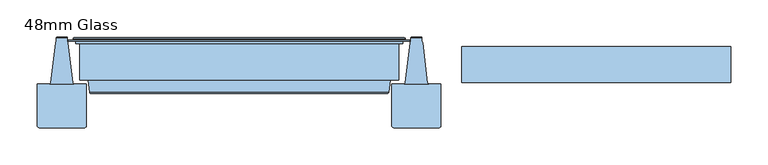
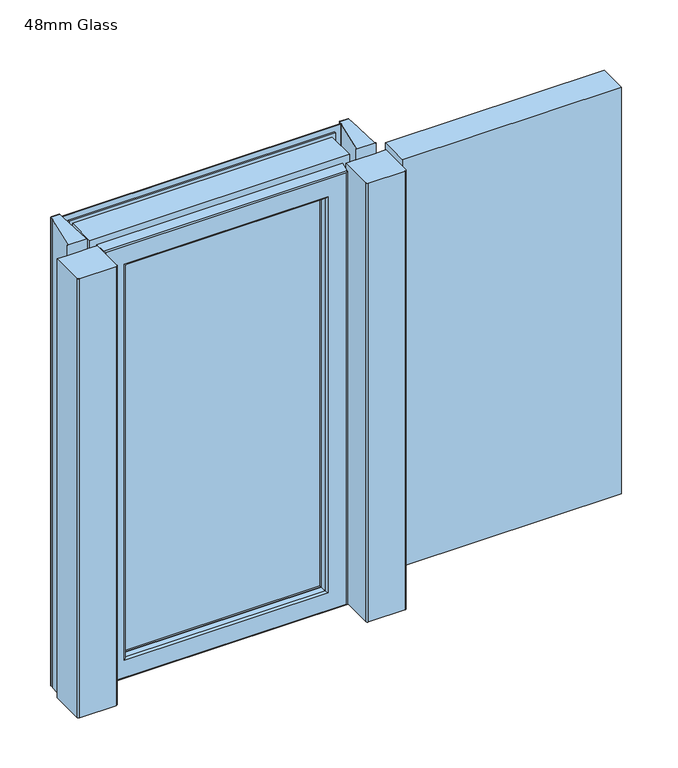
"""IFC4 building model written with IfcOpenShell, lengths in millimetres: window geometry, 48mm Glass."""

from ifc_helpers import new_model, si_unit, frame, origin, place, context, project, spatial, polyline, circle_curve, ellipse_curve, outline, extrude, source, transform, mapped, element, save
from ifc_brep_helpers import plane_surface, cylinder_surface, revolved_surface, advanced_brep


def window_48mm_glass_337661ac(model_context):
    return source(origin(), model_context, "Body", "SolidModel", [
        extrude(outline(polyline([(177.0, 93.0110098), (-177.0, 93.0110098), (-177.0, 141.0110098), (177.0, 141.0110098), (177.0, 93.0110098)])), frame((0.0, 0.0, 890.0), z_axis=(0.0, 0.0, 1.0), x_axis=(1.0, 0.0, 0.0)), (0.0, 0.0, 1.0), 708.0),
        advanced_brep(
        [(219.5, 148.6168436, 1640.5), (219.5, 145.5999985, 1640.5), (219.5, 145.5999985, 847.5), (219.5, 148.6168436, 847.5), (222.0, 153.0, 1643.0), (223.0, 152.0, 1644.0), (223.0, 152.0, 844.0), (222.0, 153.0, 845.0), (163.0012615, 141.0, 1584.0012615), (163.0012615, 142.3599713, 1584.0012615), (163.0012615, 142.3599713, 903.9987385), (163.0012615, 141.0, 903.9987385), (181.3697055, 93.0110098, 1602.3697055), (187.2620126, 141.0, 1608.2620126), (187.2620126, 141.0, 879.7379874), (181.3697055, 93.0110098, 885.6302945), (163.0013518, 90.0110098, 1584.0013518), (163.0013518, 93.0110098, 1584.0013518), (163.0013518, 93.0110098, 903.9986482), (163.0013518, 90.0110098, 903.9986482), (163.0232044, 88.8030982, 1584.0232044), (164.001352, 90.0110098, 1585.001352), (164.001352, 90.0110098, 902.998648), (163.0232044, 88.8030982, 903.9767956), (164.8120427, 80.376265, 1585.8120427), (164.8120427, 80.376265, 902.1879573), (167.7464855, 78.0, 1588.7464855), (167.7464855, 78.0, 899.2535145), (200.5618051, 79.7562613, 1621.5618051), (198.5767128, 78.0, 1619.5767128), (198.5767128, 78.0, 868.4232872), (200.5618051, 79.7562613, 866.4381949), (202.5562854, 96.0, 1623.5562854), (202.5562854, 96.0, 864.4437146), (214.0, 145.5999985, 1635.0), (214.0, 96.0, 1635.0), (214.0, 96.0, 853.0), (214.0, 145.5999985, 853.0), (-219.5, 145.5999985, 847.5), (-219.5, 148.6168436, 847.5), (-223.0, 152.0, 844.0), (-222.0, 153.0, 845.0), (-163.0012615, 142.3599713, 903.9987385), (-163.0012615, 141.0, 903.9987385), (-187.2620126, 141.0, 879.7379874), (-181.3697055, 93.0110098, 885.6302945), (-163.0013518, 93.0110098, 903.9986482), (-163.0013518, 90.0110098, 903.9986482), (-164.001352, 90.0110098, 902.998648), (-163.0232044, 88.8030982, 903.9767956), (-164.8120427, 80.376265, 902.1879573), (-167.7464855, 78.0, 899.2535145), (-198.5767128, 78.0, 868.4232872), (-200.5618051, 79.7562613, 866.4381949), (-202.5562854, 96.0, 864.4437146), (-214.0, 96.0, 853.0), (-214.0, 145.5999985, 853.0), (-219.5, 145.5999985, 1640.5), (-219.5, 148.6168436, 1640.5), (-223.0, 152.0, 1644.0), (-222.0, 153.0, 1643.0), (-163.0012615, 142.3599713, 1584.0012615), (-163.0012615, 141.0, 1584.0012615), (-187.2620126, 141.0, 1608.2620126), (-181.3697055, 93.0110098, 1602.3697055), (-163.0013518, 93.0110098, 1584.0013518), (-163.0013518, 90.0110098, 1584.0013518), (-164.001352, 90.0110098, 1585.001352), (-163.0232044, 88.8030982, 1584.0232044), (-164.8120427, 80.376265, 1585.8120427), (-167.7464855, 78.0, 1588.7464855), (-198.5767128, 78.0, 1619.5767128), (-200.5618051, 79.7562613, 1621.5618051), (-202.5562854, 96.0, 1623.5562854), (-214.0, 96.0, 1635.0), (-214.0, 145.5999985, 1635.0), (229.1997151, 149.6865589, 837.8002849), (-229.1997151, 149.6865589, 837.8002849), (-229.1997151, 149.6865589, 1650.1997151), (229.1997151, 149.6865589, 1650.1997151), (223.0, 149.6865589, 1644.0), (-223.0, 149.6865589, 1644.0), (-223.0, 149.6865589, 844.0), (223.0, 149.6865589, 844.0), (229.1997151, 148.6168436, 1650.1997151), (229.1997151, 148.6168436, 837.8002849), (-229.1997151, 148.6168436, 837.8002849), (-229.1997151, 148.6168436, 1650.1997151), (165.8249234, 151.5957532, 1586.8249234), (167.5279664, 153.0, 1588.5279664), (167.5279664, 153.0, 899.4720336), (165.8249234, 151.5957532, 901.1750766), (-167.5279664, 153.0, 899.4720336), (-165.8249234, 151.5957532, 901.1750766), (-167.5279664, 153.0, 1588.5279664), (-165.8249234, 151.5957532, 1586.8249234)],
        [
            (0, 1),
            (1, 2),
            (2, 3),
            (3, 0),
            (4, 5, ellipse_curve(frame((222.0, 152.0, 1643.0), z_axis=(0.7071067811865475, 0.0, -0.7071067811865475), x_axis=(0.7071067811865474, 0.0, 0.7071067811865476)), 1.4142136, 1.0)),
            (5, 6),
            (6, 7, ellipse_curve(frame((222.0, 152.0, 845.0), z_axis=(0.7071067811865475, 0.0, 0.7071067811865475), x_axis=(-0.7071067811865474, 0.0, 0.7071067811865476)), 1.4142136, 1.0)),
            (7, 4),
            (8, 9),
            (9, 10),
            (10, 11),
            (11, 8),
            (12, 13),
            (13, 14),
            (14, 15),
            (15, 12),
            (16, 17),
            (17, 18),
            (18, 19),
            (19, 16),
            (20, 21, ellipse_curve(frame((164.001352, 89.0110098, 1585.001352), z_axis=(0.7071067811865475, 0.0, -0.7071067811865475), x_axis=(0.7071067811865474, 0.0, 0.7071067811865476)), 1.4142136, 1.0)),
            (21, 22),
            (22, 23, ellipse_curve(frame((164.001352, 89.0110098, 902.998648), z_axis=(0.7071067811865475, 0.0, 0.7071067811865475), x_axis=(-0.7071067811865474, 0.0, 0.7071067811865476)), 1.4142136, 1.0)),
            (23, 20),
            (24, 20),
            (23, 25),
            (25, 24),
            (26, 24, ellipse_curve(frame((167.7464855, 81.0, 1588.7464855), z_axis=(0.7071067811865475, 0.0, -0.7071067811865475), x_axis=(0.7071067811865474, 0.0, 0.7071067811865476)), 4.2426407, 3.0)),
            (25, 27, ellipse_curve(frame((167.7464855, 81.0, 899.2535145), z_axis=(0.7071067811865475, 0.0, 0.7071067811865475), x_axis=(-0.7071067811865474, 0.0, 0.7071067811865476)), 4.2426407, 3.0)),
            (27, 26),
            (28, 29, ellipse_curve(frame((198.5767128, 80.0, 1619.5767128), z_axis=(0.7071067811865475, 0.0, -0.7071067811865475), x_axis=(0.7071067811865474, 0.0, 0.7071067811865476)), 2.8284271, 2.0)),
            (29, 30),
            (30, 31, ellipse_curve(frame((198.5767128, 80.0, 868.4232872), z_axis=(0.7071067811865475, 0.0, 0.7071067811865475), x_axis=(-0.7071067811865474, 0.0, 0.7071067811865476)), 2.8284271, 2.0)),
            (31, 28),
            (32, 28),
            (31, 33),
            (33, 32),
            (34, 35),
            (35, 36),
            (36, 37),
            (37, 34),
            (2, 38),
            (38, 39),
            (39, 3),
            (6, 40),
            (40, 41, ellipse_curve(frame((-222.0, 152.0, 845.0), z_axis=(0.7071067811865475, 0.0, -0.7071067811865475), x_axis=(0.7071067811865476, 0.0, 0.7071067811865474)), 1.4142136, 1.0)),
            (41, 7),
            (10, 42),
            (42, 43),
            (43, 11),
            (14, 44),
            (44, 45),
            (45, 15),
            (18, 46),
            (46, 47),
            (47, 19),
            (22, 48),
            (48, 49, ellipse_curve(frame((-164.001352, 89.0110098, 902.998648), z_axis=(0.7071067811865475, 0.0, -0.7071067811865475), x_axis=(0.7071067811865476, 0.0, 0.7071067811865474)), 1.4142136, 1.0)),
            (49, 23),
            (49, 50),
            (50, 25),
            (50, 51, ellipse_curve(frame((-167.7464855, 81.0, 899.2535145), z_axis=(0.7071067811865475, 0.0, -0.7071067811865475), x_axis=(0.7071067811865476, 0.0, 0.7071067811865474)), 4.2426407, 3.0)),
            (51, 27),
            (30, 52),
            (52, 53, ellipse_curve(frame((-198.5767128, 80.0, 868.4232872), z_axis=(0.7071067811865475, 0.0, -0.7071067811865475), x_axis=(0.7071067811865476, 0.0, 0.7071067811865474)), 2.8284271, 2.0)),
            (53, 31),
            (53, 54),
            (54, 33),
            (36, 55),
            (55, 56),
            (56, 37),
            (38, 57),
            (57, 58),
            (58, 39),
            (40, 59),
            (59, 60, ellipse_curve(frame((-222.0, 152.0, 1643.0), z_axis=(-0.7071067811865475, 0.0, -0.7071067811865475), x_axis=(0.7071067811865474, 0.0, -0.7071067811865476)), 1.4142136, 1.0)),
            (60, 41),
            (42, 61),
            (61, 62),
            (62, 43),
            (44, 63),
            (63, 64),
            (64, 45),
            (46, 65),
            (65, 66),
            (66, 47),
            (48, 67),
            (67, 68, ellipse_curve(frame((-164.001352, 89.0110098, 1585.001352), z_axis=(-0.7071067811865475, 0.0, -0.7071067811865475), x_axis=(0.7071067811865474, 0.0, -0.7071067811865476)), 1.4142136, 1.0)),
            (68, 49),
            (68, 69),
            (69, 50),
            (69, 70, ellipse_curve(frame((-167.7464855, 81.0, 1588.7464855), z_axis=(-0.7071067811865475, 0.0, -0.7071067811865475), x_axis=(0.7071067811865474, 0.0, -0.7071067811865476)), 4.2426407, 3.0)),
            (70, 51),
            (52, 71),
            (71, 72, ellipse_curve(frame((-198.5767128, 80.0, 1619.5767128), z_axis=(-0.7071067811865475, 0.0, -0.7071067811865475), x_axis=(0.7071067811865474, 0.0, -0.7071067811865476)), 2.8284271, 2.0)),
            (72, 53),
            (72, 73),
            (73, 54),
            (55, 74),
            (74, 75),
            (75, 56),
            (1, 57),
            (75, 34),
            (0, 58),
            (76, 77),
            (77, 78),
            (78, 79),
            (79, 76),
            (80, 81),
            (81, 82),
            (82, 83),
            (83, 80),
            (59, 5),
            (4, 60),
            (61, 9),
            (8, 62),
            (13, 63),
            (12, 64),
            (17, 65),
            (16, 66),
            (21, 67),
            (20, 68),
            (24, 69),
            (26, 70),
            (29, 71),
            (28, 72),
            (32, 73),
            (35, 74),
            (79, 84),
            (84, 85),
            (85, 76),
            (5, 80),
            (83, 6),
            (85, 86),
            (86, 77),
            (82, 40),
            (86, 87),
            (87, 78),
            (81, 59),
            (84, 87),
            (88, 89, ellipse_curve(frame((167.7375329, 151.0110098, 1588.7375329), z_axis=(0.7071067811865475, 0.0, -0.7071067811865475), x_axis=(0.7071067811865474, 0.0, 0.7071067811865476)), 2.8284271, 2.0)),
            (89, 90),
            (90, 91, ellipse_curve(frame((167.7375329, 151.0110098, 899.2624671), z_axis=(0.7071067811865475, 0.0, 0.7071067811865475), x_axis=(-0.7071067811865474, 0.0, 0.7071067811865476)), 2.8284271, 2.0)),
            (91, 88),
            (9, 88),
            (91, 10),
            (90, 92),
            (92, 93, ellipse_curve(frame((-167.7375329, 151.0110098, 899.2624671), z_axis=(0.7071067811865475, 0.0, -0.7071067811865475), x_axis=(0.7071067811865476, 0.0, 0.7071067811865474)), 2.8284271, 2.0)),
            (93, 91),
            (93, 42),
            (92, 94),
            (94, 95, ellipse_curve(frame((-167.7375329, 151.0110098, 1588.7375329), z_axis=(-0.7071067811865475, 0.0, -0.7071067811865475), x_axis=(0.7071067811865474, 0.0, -0.7071067811865476)), 2.8284271, 2.0)),
            (95, 93),
            (95, 61),
            (89, 94),
            (88, 95),
        ],
        [
            plane_surface(frame((219.5, 145.5999985, 1640.5), z_axis=(1.0, 0.0, 0.0), x_axis=(0.0, 0.0, -1.0))),
            cylinder_surface(frame((222.0, 152.0, 1635.0), z_axis=(0.0, 0.0, 1.0), x_axis=(0.0, -1.0, 0.0)), 1.0),
            plane_surface(frame((163.0012615, 142.3599713, 1584.0012615), z_axis=(-1.0, 0.0, 0.0), x_axis=(0.0, 0.0, -1.0))),
            plane_surface(frame((187.2620126, 141.0, 1608.2620126), z_axis=(-0.992546151641323, 0.12186934340513976, 0.0), x_axis=(0.0, 0.0, -1.0))),
            plane_surface(frame((163.0013518, 93.0110098, 1584.0013518), z_axis=(-1.0, 0.0, 0.0), x_axis=(0.0, 0.0, -1.0))),
            cylinder_surface(frame((164.001352, 89.0110098, 1635.0), z_axis=(0.0, 0.0, 1.0), x_axis=(0.0, -1.0, 0.0)), 1.0),
            plane_surface(frame((163.0232044, 88.8030982, 1584.0232044), z_axis=(-0.9782028159557521, -0.2076517538000511, 0.0), x_axis=(0.0, 0.0, -1.0))),
            cylinder_surface(frame((167.7464855, 81.0, 1635.0), z_axis=(0.0, 0.0, 1.0), x_axis=(0.0, -1.0, 0.0)), 3.0),
            cylinder_surface(frame((198.5767128, 80.0, 1635.0), z_axis=(0.0, 0.0, 1.0), x_axis=(0.0, -1.0, 0.0)), 2.0),
            plane_surface(frame((200.5618051, 79.7562613, 1621.5618051), z_axis=(0.9925461516416152, -0.12186934340276044, 0.0), x_axis=(0.0, 0.0, -1.0))),
            plane_surface(frame((214.0, 96.0, 1635.0), z_axis=(1.0, 0.0, 0.0), x_axis=(0.0, 0.0, -1.0))),
            plane_surface(frame((219.5, 145.5999985, 847.5), z_axis=(0.0, 0.0, -1.0), x_axis=(-1.0, 0.0, 0.0))),
            cylinder_surface(frame((214.0, 152.0, 845.0), z_axis=(1.0, 0.0, 0.0), x_axis=(0.0, -1.0, 0.0)), 1.0),
            plane_surface(frame((163.0012615, 142.3599713, 903.9987385), z_axis=(0.0, 0.0, 1.0), x_axis=(-1.0, 0.0, 0.0))),
            plane_surface(frame((187.2620126, 141.0, 879.7379874), z_axis=(0.0, 0.12186934340513976, 0.992546151641323), x_axis=(-1.0, 0.0, 0.0))),
            plane_surface(frame((163.0013518, 93.0110098, 903.9986482), z_axis=(0.0, 0.0, 1.0), x_axis=(-1.0, 0.0, 0.0))),
            cylinder_surface(frame((214.0, 89.0110098, 902.998648), z_axis=(1.0, 0.0, 0.0), x_axis=(0.0, -1.0, 0.0)), 1.0),
            plane_surface(frame((163.0232044, 88.8030982, 903.9767956), z_axis=(0.0, -0.2076517538000511, 0.9782028159557521), x_axis=(-1.0, 0.0, 0.0))),
            cylinder_surface(frame((214.0, 81.0, 899.2535145), z_axis=(1.0, 0.0, 0.0), x_axis=(0.0, -1.0, 0.0)), 3.0),
            cylinder_surface(frame((214.0, 80.0, 868.4232872), z_axis=(1.0, 0.0, 0.0), x_axis=(0.0, -1.0, 0.0)), 2.0),
            plane_surface(frame((200.5618051, 79.7562613, 866.4381949), z_axis=(0.0, -0.12186934340276044, -0.9925461516416152), x_axis=(-1.0, 0.0, 0.0))),
            plane_surface(frame((214.0, 96.0, 853.0), z_axis=(0.0, 0.0, -1.0), x_axis=(-1.0, 0.0, 0.0))),
            plane_surface(frame((-219.5, 145.5999985, 847.5), z_axis=(-1.0, 0.0, 0.0), x_axis=(0.0, 0.0, 1.0))),
            cylinder_surface(frame((-222.0, 152.0, 853.0), z_axis=(0.0, 0.0, -1.0), x_axis=(0.0, -1.0, 0.0)), 1.0),
            plane_surface(frame((-163.0012615, 142.3599713, 903.9987385), z_axis=(1.0, 0.0, 0.0), x_axis=(0.0, 0.0, 1.0))),
            plane_surface(frame((-187.2620126, 141.0, 879.7379874), z_axis=(0.992546151641323, 0.12186934340513976, 0.0), x_axis=(0.0, 0.0, 1.0))),
            plane_surface(frame((-163.0013518, 93.0110098, 903.9986482), z_axis=(1.0, 0.0, 0.0), x_axis=(0.0, 0.0, 1.0))),
            cylinder_surface(frame((-164.001352, 89.0110098, 853.0), z_axis=(0.0, 0.0, -1.0), x_axis=(0.0, -1.0, 0.0)), 1.0),
            plane_surface(frame((-163.0232044, 88.8030982, 903.9767956), z_axis=(0.9782028159557521, -0.2076517538000511, 0.0), x_axis=(0.0, 0.0, 1.0))),
            cylinder_surface(frame((-167.7464855, 81.0, 853.0), z_axis=(0.0, 0.0, -1.0), x_axis=(0.0, -1.0, 0.0)), 3.0),
            cylinder_surface(frame((-198.5767128, 80.0, 853.0), z_axis=(0.0, 0.0, -1.0), x_axis=(0.0, -1.0, 0.0)), 2.0),
            plane_surface(frame((-200.5618051, 79.7562613, 866.4381949), z_axis=(-0.9925461516416152, -0.12186934340276044, 0.0), x_axis=(0.0, 0.0, 1.0))),
            plane_surface(frame((-214.0, 96.0, 853.0), z_axis=(-1.0, 0.0, 0.0), x_axis=(0.0, 0.0, 1.0))),
            plane_surface(frame((-214.0, 145.5999985, 1635.0), z_axis=(0.0, -1.0, 0.0), x_axis=(1.0, 0.0, 0.0))),
            plane_surface(frame((-219.5, 145.5999985, 1640.5), z_axis=(0.0, 0.0, 1.0), x_axis=(1.0, 0.0, 0.0))),
            plane_surface(frame((-229.1997151, 149.6865589, 1650.1997151), z_axis=(0.0, 1.0, 0.0), x_axis=(1.0, 0.0, 0.0))),
            cylinder_surface(frame((-214.0, 152.0, 1643.0), z_axis=(-1.0, 0.0, 0.0), x_axis=(0.0, -1.0, 0.0)), 1.0),
            plane_surface(frame((-163.0012615, 142.3599713, 1584.0012615), z_axis=(0.0, 0.0, -1.0), x_axis=(1.0, 0.0, 0.0))),
            plane_surface(frame((-163.0012615, 141.0, 1584.0012615), z_axis=(0.0, -1.0, 0.0), x_axis=(1.0, 0.0, 0.0))),
            plane_surface(frame((-187.2620126, 141.0, 1608.2620126), z_axis=(0.0, 0.12186934340513976, -0.992546151641323), x_axis=(1.0, 0.0, 0.0))),
            plane_surface(frame((-181.3697055, 93.0110098, 1602.3697055), z_axis=(0.0, 1.0, 0.0), x_axis=(1.0, 0.0, 0.0))),
            plane_surface(frame((-163.0013518, 93.0110098, 1584.0013518), z_axis=(0.0, 0.0, -1.0), x_axis=(1.0, 0.0, 0.0))),
            plane_surface(frame((-163.0013518, 90.0110098, 1584.0013518), z_axis=(0.0, -1.0, 0.0), x_axis=(1.0, 0.0, 0.0))),
            cylinder_surface(frame((-214.0, 89.0110098, 1585.001352), z_axis=(-1.0, 0.0, 0.0), x_axis=(0.0, -1.0, 0.0)), 1.0),
            plane_surface(frame((-163.0232044, 88.8030982, 1584.0232044), z_axis=(0.0, -0.2076517538000511, -0.9782028159557521), x_axis=(1.0, 0.0, 0.0))),
            cylinder_surface(frame((-214.0, 81.0, 1588.7464855), z_axis=(-1.0, 0.0, 0.0), x_axis=(0.0, -1.0, 0.0)), 3.0),
            plane_surface(frame((-167.7464855, 78.0, 1588.7464855), z_axis=(0.0, -1.0, 0.0), x_axis=(1.0, 0.0, 0.0))),
            cylinder_surface(frame((-214.0, 80.0, 1619.5767128), z_axis=(-1.0, 0.0, 0.0), x_axis=(0.0, -1.0, 0.0)), 2.0),
            plane_surface(frame((-200.5618051, 79.7562613, 1621.5618051), z_axis=(0.0, -0.12186934340276044, 0.9925461516416152), x_axis=(1.0, 0.0, 0.0))),
            plane_surface(frame((-202.5562854, 96.0, 1623.5562854), z_axis=(0.0, -1.0, 0.0), x_axis=(1.0, 0.0, 0.0))),
            plane_surface(frame((-214.0, 96.0, 1635.0), z_axis=(0.0, 0.0, 1.0), x_axis=(1.0, 0.0, 0.0))),
            plane_surface(frame((229.1997151, 148.6168436, 1650.1997151), z_axis=(1.0, 0.0, 0.0), x_axis=(0.0, 0.0, -1.0))),
            plane_surface(frame((223.0, 149.6865589, 1644.0), z_axis=(1.0, 0.0, 0.0), x_axis=(0.0, 0.0, -1.0))),
            plane_surface(frame((229.1997151, 148.6168436, 837.8002849), z_axis=(0.0, 0.0, -1.0), x_axis=(-1.0, 0.0, 0.0))),
            plane_surface(frame((223.0, 149.6865589, 844.0), z_axis=(0.0, 0.0, -1.0), x_axis=(-1.0, 0.0, 0.0))),
            plane_surface(frame((-229.1997151, 148.6168436, 837.8002849), z_axis=(-1.0, 0.0, 0.0), x_axis=(0.0, 0.0, 1.0))),
            plane_surface(frame((-223.0, 149.6865589, 844.0), z_axis=(-1.0, 0.0, 0.0), x_axis=(0.0, 0.0, 1.0))),
            plane_surface(frame((-219.5, 148.6168436, 1640.5), z_axis=(0.0, -1.0, 0.0), x_axis=(1.0, 0.0, 0.0))),
            plane_surface(frame((-229.1997151, 148.6168436, 1650.1997151), z_axis=(0.0, 0.0, 1.0), x_axis=(1.0, 0.0, 0.0))),
            plane_surface(frame((-223.0, 149.6865589, 1644.0), z_axis=(0.0, 0.0, 1.0), x_axis=(1.0, 0.0, 0.0))),
            cylinder_surface(frame((167.7375329, 151.0110098, 1635.0), z_axis=(0.0, 0.0, 1.0), x_axis=(0.0, -1.0, 0.0)), 2.0),
            plane_surface(frame((165.8249234, 151.5957532, 1586.8249234), z_axis=(-0.9563047559630313, 0.2923717047227505, 0.0), x_axis=(0.0, 0.0, -1.0))),
            cylinder_surface(frame((214.0, 151.0110098, 899.2624671), z_axis=(1.0, 0.0, 0.0), x_axis=(0.0, -1.0, 0.0)), 2.0),
            plane_surface(frame((165.8249234, 151.5957532, 901.1750766), z_axis=(0.0, 0.2923717047227505, 0.9563047559630313), x_axis=(-1.0, 0.0, 0.0))),
            cylinder_surface(frame((-167.7375329, 151.0110098, 853.0), z_axis=(0.0, 0.0, -1.0), x_axis=(0.0, -1.0, 0.0)), 2.0),
            plane_surface(frame((-165.8249234, 151.5957532, 901.1750766), z_axis=(0.9563047559630313, 0.2923717047227505, 0.0), x_axis=(0.0, 0.0, 1.0))),
            plane_surface(frame((-222.0, 153.0, 1643.0), z_axis=(0.0, 1.0, 0.0), x_axis=(1.0, 0.0, 0.0))),
            cylinder_surface(frame((-214.0, 151.0110098, 1588.7375329), z_axis=(-1.0, 0.0, 0.0), x_axis=(0.0, -1.0, 0.0)), 2.0),
            plane_surface(frame((-165.8249234, 151.5957532, 1586.8249234), z_axis=(0.0, 0.2923717047227505, -0.9563047559630313), x_axis=(1.0, 0.0, 0.0))),
        ],
        [
            (0, [[1, 2, 3, 4]]),
            (1, [[5, 6, 7, 8]]),
            (2, [[9, 10, 11, 12]]),
            (3, [[13, 14, 15, 16]]),
            (4, [[17, 18, 19, 20]]),
            (5, [[21, 22, 23, 24]]),
            (6, [[25, -24, 26, 27]]),
            (7, [[28, -27, 29, 30]]),
            (8, [[31, 32, 33, 34]]),
            (9, [[35, -34, 36, 37]]),
            (10, [[38, 39, 40, 41]]),
            (11, [[-3, 42, 43, 44]]),
            (12, [[-7, 45, 46, 47]]),
            (13, [[-11, 48, 49, 50]]),
            (14, [[-15, 51, 52, 53]]),
            (15, [[-19, 54, 55, 56]]),
            (16, [[-23, 57, 58, 59]]),
            (17, [[-26, -59, 60, 61]]),
            (18, [[-29, -61, 62, 63]]),
            (19, [[-33, 64, 65, 66]]),
            (20, [[-36, -66, 67, 68]]),
            (21, [[-40, 69, 70, 71]]),
            (22, [[-43, 72, 73, 74]]),
            (23, [[-46, 75, 76, 77]]),
            (24, [[-49, 78, 79, 80]]),
            (25, [[-52, 81, 82, 83]]),
            (26, [[-55, 84, 85, 86]]),
            (27, [[-58, 87, 88, 89]]),
            (28, [[-60, -89, 90, 91]]),
            (29, [[-62, -91, 92, 93]]),
            (30, [[-65, 94, 95, 96]]),
            (31, [[-67, -96, 97, 98]]),
            (32, [[-70, 99, 100, 101]]),
            (33, [[102, -72, -42, -2], [-71, -101, 103, -41]]),
            (34, [[-73, -102, -1, 104]]),
            (35, [[105, 106, 107, 108], [109, 110, 111, 112]]),
            (36, [[-76, 113, -5, 114]]),
            (37, [[-79, 115, -9, 116]]),
            (38, [[117, -81, -51, -14], [-50, -80, -116, -12]]),
            (39, [[-82, -117, -13, 118]]),
            (40, [[-53, -83, -118, -16], [119, -84, -54, -18]]),
            (41, [[-85, -119, -17, 120]]),
            (42, [[121, -87, -57, -22], [-56, -86, -120, -20]]),
            (43, [[-88, -121, -21, 122]]),
            (44, [[-90, -122, -25, 123]]),
            (45, [[-92, -123, -28, 124]]),
            (46, [[125, -94, -64, -32], [-63, -93, -124, -30]]),
            (47, [[-95, -125, -31, 126]]),
            (48, [[-97, -126, -35, 127]]),
            (49, [[128, -99, -69, -39], [-68, -98, -127, -37]]),
            (50, [[-100, -128, -38, -103]]),
            (51, [[129, 130, 131, -108]]),
            (52, [[132, -112, 133, -6]]),
            (53, [[-131, 134, 135, -105]]),
            (54, [[-133, -111, 136, -45]]),
            (55, [[-135, 137, 138, -106]]),
            (56, [[-136, -110, 139, -75]]),
            (57, [[140, -137, -134, -130], [-44, -74, -104, -4]]),
            (58, [[-138, -140, -129, -107]]),
            (59, [[-139, -109, -132, -113]]),
            (60, [[141, 142, 143, 144]]),
            (61, [[145, -144, 146, -10]]),
            (62, [[-143, 147, 148, 149]]),
            (63, [[-146, -149, 150, -48]]),
            (64, [[-148, 151, 152, 153]]),
            (65, [[-150, -153, 154, -78]]),
            (66, [[-47, -77, -114, -8], [155, -151, -147, -142]]),
            (67, [[-152, -155, -141, 156]]),
            (68, [[-154, -156, -145, -115]]),
        ],
    ),
        advanced_brep(
        [(-254.3270879, 91.0, 862.0), (-271.0, 91.0, 862.0), (-271.0, 91.0, 1626.0), (-254.3270879, 91.0, 1626.0), (-271.0, 35.0, 862.0), (-271.0, 35.0, 1626.0), (-268.0, 32.0, 862.0), (-208.0, 32.0, 862.0), (-208.0, 32.0, 1626.0), (-268.0, 32.0, 1626.0), (-205.0, 35.0, 862.0), (-205.0, 91.0, 862.0), (-205.0, 91.0, 1626.0), (-205.0, 35.0, 1626.0), (-221.6729121, 91.0, 862.0), (-221.6729121, 91.0, 1626.0), (-223.1580624, 92.2894565, 843.8416747), (-229.8106952, 146.5609347, 837.177975), (-229.8106952, 146.5609347, 1650.822025), (-223.1580624, 92.2894565, 1644.1583253), (-246.1893048, 146.5609347, 837.177975), (-252.8419376, 92.2894565, 843.8416747), (-252.8419376, 92.2894565, 1644.1583253), (-246.1893048, 146.5609347, 1650.822025), (-254.3270879, 91.0, 844.0), (-221.6729121, 91.0, 844.0), (-230.6, 153.0, 836.4), (-245.4, 153.0, 836.4), (-244.4, 154.0, 836.4), (-231.6, 154.0, 836.4), (-245.4, 148.3029671, 836.9640803), (-230.6, 148.3029671, 836.9640803), (-221.6729121, 91.0, 1644.0), (-254.3270879, 91.0, 1644.0), (-245.4, 153.0, 1651.6), (-230.6, 153.0, 1651.6), (-231.6, 154.0, 1651.6), (-244.4, 154.0, 1651.6), (-230.6, 148.3029671, 1651.0359197), (-245.4, 148.3029671, 1651.0359197)],
        [
            (0, 1),
            (1, 2),
            (2, 3),
            (3, 0),
            (1, 4),
            (4, 5),
            (5, 2),
            (6, 7),
            (7, 8),
            (8, 9),
            (9, 6),
            (10, 11),
            (11, 12),
            (12, 13),
            (13, 10),
            (11, 14),
            (14, 15),
            (15, 12),
            (16, 17),
            (17, 18),
            (18, 19),
            (19, 16),
            (20, 21),
            (21, 22),
            (22, 23),
            (23, 20),
            (14, 0),
            (0, 24),
            (24, 25),
            (25, 14),
            (10, 7, circle_curve(frame((-208.0, 35.0, 862.0), z_axis=(0.0, 0.0, -1.0), x_axis=(1.0, 0.0, 0.0)), 3.0)),
            (6, 4, circle_curve(frame((-268.0, 35.0, 862.0), z_axis=(0.0, 0.0, -1.0), x_axis=(1.0, 0.0, 0.0)), 3.0)),
            (26, 27),
            (27, 28, circle_curve(frame((-244.4, 153.0, 836.4), z_axis=(0.0, 0.0, -1.0), x_axis=(1.0, 0.0, 0.0)), 1.0)),
            (28, 29),
            (29, 26, circle_curve(frame((-231.6, 153.0, 836.4), z_axis=(0.0, 0.0, -1.0), x_axis=(1.0, 0.0, 0.0)), 1.0)),
            (24, 21, ellipse_curve(frame((-254.3270879, 92.5, 843.8158232), z_axis=(0.0, 0.12186934340514982, 0.9925461516413218), x_axis=(0.0, 0.992546151641322, -0.12186934340514925)), 1.5112647, 1.5)),
            (20, 30),
            (30, 27),
            (26, 31),
            (31, 17),
            (16, 25, ellipse_curve(frame((-221.6729121, 92.5, 843.8158232), z_axis=(0.0, 0.12186934340514982, 0.9925461516413218), x_axis=(0.0, 0.992546151641322, -0.12186934340514925)), 1.5112647, 1.5)),
            (3, 15),
            (15, 32),
            (32, 33),
            (33, 3),
            (5, 9, circle_curve(frame((-268.0, 35.0, 1626.0), z_axis=(0.0, 0.0, 1.0), x_axis=(1.0, 0.0, 0.0)), 3.0)),
            (8, 13, circle_curve(frame((-208.0, 35.0, 1626.0), z_axis=(0.0, 0.0, 1.0), x_axis=(1.0, 0.0, 0.0)), 3.0)),
            (34, 35),
            (35, 36, circle_curve(frame((-231.6, 153.0, 1651.6), z_axis=(0.0, 0.0, 1.0), x_axis=(1.0, 0.0, 0.0)), 1.0)),
            (36, 37),
            (37, 34, circle_curve(frame((-244.4, 153.0, 1651.6), z_axis=(0.0, 0.0, 1.0), x_axis=(1.0, 0.0, 0.0)), 1.0)),
            (32, 19, ellipse_curve(frame((-221.6729121, 92.5, 1644.1841768), z_axis=(0.0, 0.12186934340515176, -0.9925461516413215), x_axis=(0.0, -0.9925461516413217, -0.12186934340515095)), 1.5112647, 1.5)),
            (18, 38),
            (38, 35),
            (34, 39),
            (39, 23),
            (22, 33, ellipse_curve(frame((-254.3270879, 92.5, 1644.1841768), z_axis=(0.0, 0.12186934340515176, -0.9925461516413215), x_axis=(0.0, -0.9925461516413217, -0.12186934340515095)), 1.5112647, 1.5)),
            (31, 38),
            (26, 35),
            (29, 36),
            (28, 37),
            (27, 34),
            (30, 39),
        ],
        [
            plane_surface(frame((-254.3270879, 91.0, 1676.0), z_axis=(0.0, 1.0, 0.0), x_axis=(0.0, 0.0, -1.0))),
            plane_surface(frame((-271.0, 91.0, 1676.0), z_axis=(-1.0, 0.0, 0.0), x_axis=(0.0, 0.0, -1.0))),
            plane_surface(frame((-268.0, 32.0, 1676.0), z_axis=(0.0, -1.0, 0.0), x_axis=(0.0, 0.0, -1.0))),
            plane_surface(frame((-205.0, 35.0, 1676.0), z_axis=(1.0, 0.0, 0.0), x_axis=(0.0, 0.0, -1.0))),
            plane_surface(frame((-205.0, 91.0, 1676.0), z_axis=(0.0, 1.0, 0.0), x_axis=(0.0, 0.0, -1.0))),
            plane_surface(frame((-223.1580624, 92.2894565, 1676.0), z_axis=(0.992570614202236, 0.12166994625706033, 0.0), x_axis=(0.0, 0.0, -1.0))),
            plane_surface(frame((-246.1893048, 146.5609347, 1676.0), z_axis=(-0.9925706142022382, 0.1216699462570421, 0.0), x_axis=(0.0, 0.0, -1.0))),
            plane_surface(frame((12.0, 91.0, 844.0), z_axis=(0.0, -1.0, 0.0), x_axis=(-1.0, 0.0, 0.0))),
            plane_surface(frame((12.0, 91.0, 862.0), z_axis=(0.0, 0.0, -1.0), x_axis=(-1.0, 0.0, 0.0))),
            plane_surface(frame((12.0, 154.0, 836.4), z_axis=(0.0, 0.0, -1.0), x_axis=(-1.0, 0.0, 0.0))),
            plane_surface(frame((12.0, 152.8970329, 836.4), z_axis=(0.0, -0.12186934340514982, -0.9925461516413218), x_axis=(-1.0, 0.0, 0.0))),
            plane_surface(frame((12.0, 91.0, 1626.0), z_axis=(0.0, -1.0, 0.0), x_axis=(-1.0, 0.0, 0.0))),
            plane_surface(frame((12.0, 32.0, 1626.0), z_axis=(0.0, 0.0, 1.0), x_axis=(-1.0, 0.0, 0.0))),
            plane_surface(frame((12.0, 152.8970329, 1651.6), z_axis=(0.0, 0.0, 1.0), x_axis=(-1.0, 0.0, 0.0))),
            plane_surface(frame((12.0, 91.0, 1644.0), z_axis=(0.0, -0.12186934340515176, 0.9925461516413215), x_axis=(-1.0, 0.0, 0.0))),
            revolved_surface(polyline([(-252.8270879, 92.5, 843.6316463632995), (-252.8270879, 92.5, 1644.3683536367002)]), (-254.3270879, 92.5, 812.0), (0.0, 0.0, -1.0)),
            cylinder_surface(frame((-268.0, 35.0, 812.0), z_axis=(0.0, 0.0, 1.0), x_axis=(1.0, 0.0, 0.0)), 3.0),
            cylinder_surface(frame((-208.0, 35.0, 812.0), z_axis=(0.0, 0.0, 1.0), x_axis=(1.0, 0.0, 0.0)), 3.0),
            revolved_surface(polyline([(-220.1729121, 92.5, 843.6316463632995), (-220.1729121, 92.5, 1644.3683536367002)]), (-221.6729121, 92.5, 812.0), (0.0, 0.0, -1.0)),
            plane_surface(frame((-229.8106952, 146.5609347, 1676.0), z_axis=(0.9108637981505031, 0.4127070888885235, 0.0), x_axis=(0.0, 0.0, -1.0))),
            plane_surface(frame((-230.6, 148.3029671, 1676.0), z_axis=(1.0, 0.0, 0.0), x_axis=(0.0, 0.0, -1.0))),
            cylinder_surface(frame((-231.6, 153.0, 812.0), z_axis=(0.0, 0.0, 1.0), x_axis=(1.0, 0.0, 0.0)), 1.0),
            plane_surface(frame((-231.6, 154.0, 1676.0), z_axis=(0.0, 1.0, 0.0), x_axis=(0.0, 0.0, -1.0))),
            cylinder_surface(frame((-244.4, 153.0, 812.0), z_axis=(0.0, 0.0, 1.0), x_axis=(1.0, 0.0, 0.0)), 1.0),
            plane_surface(frame((-245.4, 153.0, 1676.0), z_axis=(-1.0, 0.0, 0.0), x_axis=(0.0, 0.0, -1.0))),
            plane_surface(frame((-245.4, 148.3029671, 1676.0), z_axis=(-0.9108637981452258, 0.41270708890017077, 0.0), x_axis=(0.0, 0.0, -1.0))),
        ],
        [
            (0, [[1, 2, 3, 4]]),
            (1, [[5, 6, 7, -2]]),
            (2, [[8, 9, 10, 11]]),
            (3, [[12, 13, 14, 15]]),
            (4, [[16, 17, 18, -13]]),
            (5, [[19, 20, 21, 22]]),
            (6, [[23, 24, 25, 26]]),
            (7, [[27, 28, 29, 30]]),
            (8, [[-27, -16, -12, 31, -8, 32, -5, -1]]),
            (9, [[33, 34, 35, 36]]),
            (10, [[-29, 37, -23, 38, 39, -33, 40, 41, -19, 42]]),
            (11, [[43, 44, 45, 46]]),
            (12, [[-43, -3, -7, 47, -10, 48, -14, -18]]),
            (13, [[49, 50, 51, 52]]),
            (14, [[-45, 53, -21, 54, 55, -49, 56, 57, -25, 58]]),
            (15, [[-28, -4, -46, -58, -24, -37]]),
            (16, [[-32, -11, -47, -6]]),
            (17, [[-31, -15, -48, -9]]),
            (18, [[-30, -42, -22, -53, -44, -17]]),
            (19, [[-41, 59, -54, -20]]),
            (20, [[-40, 60, -55, -59]]),
            (21, [[-36, 61, -50, -60]]),
            (22, [[-35, 62, -51, -61]]),
            (23, [[-34, 63, -52, -62]]),
            (24, [[-39, 64, -56, -63]]),
            (25, [[-38, -26, -57, -64]]),
        ],
    ),
        advanced_brep(
        [(221.6729121, 91.0, 862.0), (205.0, 91.0, 862.0), (205.0, 91.0, 1626.0), (221.6729121, 91.0, 1626.0), (205.0, 35.0, 862.0), (205.0, 35.0, 1626.0), (208.0, 32.0, 862.0), (268.0, 32.0, 862.0), (268.0, 32.0, 1626.0), (208.0, 32.0, 1626.0), (271.0, 35.0, 862.0), (271.0, 91.0, 862.0), (271.0, 91.0, 1626.0), (271.0, 35.0, 1626.0), (254.3270879, 91.0, 862.0), (254.3270879, 91.0, 1626.0), (252.8419376, 92.2894565, 843.8416747), (246.1893048, 146.5609347, 837.177975), (246.1893048, 146.5609347, 1650.822025), (252.8419376, 92.2894565, 1644.1583253), (229.8106952, 146.5609347, 837.177975), (223.1580624, 92.2894565, 843.8416747), (223.1580624, 92.2894565, 1644.1583253), (229.8106952, 146.5609347, 1650.822025), (221.6729121, 91.0, 844.0), (254.3270879, 91.0, 844.0), (245.4, 153.0, 836.4), (230.6, 153.0, 836.4), (231.6, 154.0, 836.4), (244.4, 154.0, 836.4), (230.6, 148.3029671, 836.9640803), (245.4, 148.3029671, 836.9640803), (254.3270879, 91.0, 1644.0), (221.6729121, 91.0, 1644.0), (230.6, 153.0, 1651.6), (245.4, 153.0, 1651.6), (244.4, 154.0, 1651.6), (231.6, 154.0, 1651.6), (245.4, 148.3029671, 1651.0359197), (230.6, 148.3029671, 1651.0359197)],
        [
            (0, 1),
            (1, 2),
            (2, 3),
            (3, 0),
            (1, 4),
            (4, 5),
            (5, 2),
            (6, 7),
            (7, 8),
            (8, 9),
            (9, 6),
            (10, 11),
            (11, 12),
            (12, 13),
            (13, 10),
            (11, 14),
            (14, 15),
            (15, 12),
            (16, 17),
            (17, 18),
            (18, 19),
            (19, 16),
            (20, 21),
            (21, 22),
            (22, 23),
            (23, 20),
            (14, 0),
            (0, 24),
            (24, 25),
            (25, 14),
            (10, 7, circle_curve(frame((268.0, 35.0, 862.0), z_axis=(0.0, 0.0, -1.0), x_axis=(1.0, 0.0, 0.0)), 3.0)),
            (6, 4, circle_curve(frame((208.0, 35.0, 862.0), z_axis=(0.0, 0.0, -1.0), x_axis=(1.0, 0.0, 0.0)), 3.0)),
            (26, 27),
            (27, 28, circle_curve(frame((231.6, 153.0, 836.4), z_axis=(0.0, 0.0, -1.0), x_axis=(1.0, 0.0, 0.0)), 1.0)),
            (28, 29),
            (29, 26, circle_curve(frame((244.4, 153.0, 836.4), z_axis=(0.0, 0.0, -1.0), x_axis=(1.0, 0.0, 0.0)), 1.0)),
            (24, 21, ellipse_curve(frame((221.6729121, 92.5, 843.8158232), z_axis=(0.0, 0.12186934340514982, 0.9925461516413218), x_axis=(0.0, 0.992546151641322, -0.12186934340514925)), 1.5112647, 1.5)),
            (20, 30),
            (30, 27),
            (26, 31),
            (31, 17),
            (16, 25, ellipse_curve(frame((254.3270879, 92.5, 843.8158232), z_axis=(0.0, 0.12186934340514982, 0.9925461516413218), x_axis=(0.0, 0.992546151641322, -0.12186934340514925)), 1.5112647, 1.5)),
            (3, 15),
            (15, 32),
            (32, 33),
            (33, 3),
            (5, 9, circle_curve(frame((208.0, 35.0, 1626.0), z_axis=(0.0, 0.0, 1.0), x_axis=(1.0, 0.0, 0.0)), 3.0)),
            (8, 13, circle_curve(frame((268.0, 35.0, 1626.0), z_axis=(0.0, 0.0, 1.0), x_axis=(1.0, 0.0, 0.0)), 3.0)),
            (34, 35),
            (35, 36, circle_curve(frame((244.4, 153.0, 1651.6), z_axis=(0.0, 0.0, 1.0), x_axis=(1.0, 0.0, 0.0)), 1.0)),
            (36, 37),
            (37, 34, circle_curve(frame((231.6, 153.0, 1651.6), z_axis=(0.0, 0.0, 1.0), x_axis=(1.0, 0.0, 0.0)), 1.0)),
            (32, 19, ellipse_curve(frame((254.3270879, 92.5, 1644.1841768), z_axis=(0.0, 0.12186934340515176, -0.9925461516413215), x_axis=(0.0, -0.9925461516413217, -0.12186934340515095)), 1.5112647, 1.5)),
            (18, 38),
            (38, 35),
            (34, 39),
            (39, 23),
            (22, 33, ellipse_curve(frame((221.6729121, 92.5, 1644.1841768), z_axis=(0.0, 0.12186934340515176, -0.9925461516413215), x_axis=(0.0, -0.9925461516413217, -0.12186934340515095)), 1.5112647, 1.5)),
            (31, 38),
            (26, 35),
            (29, 36),
            (28, 37),
            (27, 34),
            (30, 39),
        ],
        [
            plane_surface(frame((221.6729121, 91.0, 1676.0), z_axis=(0.0, 1.0, 0.0), x_axis=(0.0, 0.0, -1.0))),
            plane_surface(frame((205.0, 91.0, 1676.0), z_axis=(-1.0, 0.0, 0.0), x_axis=(0.0, 0.0, -1.0))),
            plane_surface(frame((208.0, 32.0, 1676.0), z_axis=(0.0, -1.0, 0.0), x_axis=(0.0, 0.0, -1.0))),
            plane_surface(frame((271.0, 35.0, 1676.0), z_axis=(1.0, 0.0, 0.0), x_axis=(0.0, 0.0, -1.0))),
            plane_surface(frame((271.0, 91.0, 1676.0), z_axis=(0.0, 1.0, 0.0), x_axis=(0.0, 0.0, -1.0))),
            plane_surface(frame((252.8419376, 92.2894565, 1676.0), z_axis=(0.992570614202236, 0.12166994625706033, 0.0), x_axis=(0.0, 0.0, -1.0))),
            plane_surface(frame((229.8106952, 146.5609347, 1676.0), z_axis=(-0.9925706142022382, 0.1216699462570421, 0.0), x_axis=(0.0, 0.0, -1.0))),
            plane_surface(frame((488.0, 91.0, 844.0), z_axis=(0.0, -1.0, 0.0), x_axis=(-1.0, 0.0, 0.0))),
            plane_surface(frame((488.0, 91.0, 862.0), z_axis=(0.0, 0.0, -1.0), x_axis=(-1.0, 0.0, 0.0))),
            plane_surface(frame((488.0, 154.0, 836.4), z_axis=(0.0, 0.0, -1.0), x_axis=(-1.0, 0.0, 0.0))),
            plane_surface(frame((488.0, 152.8970329, 836.4), z_axis=(0.0, -0.12186934340514982, -0.9925461516413218), x_axis=(-1.0, 0.0, 0.0))),
            plane_surface(frame((488.0, 91.0, 1626.0), z_axis=(0.0, -1.0, 0.0), x_axis=(-1.0, 0.0, 0.0))),
            plane_surface(frame((488.0, 32.0, 1626.0), z_axis=(0.0, 0.0, 1.0), x_axis=(-1.0, 0.0, 0.0))),
            plane_surface(frame((488.0, 152.8970329, 1651.6), z_axis=(0.0, 0.0, 1.0), x_axis=(-1.0, 0.0, 0.0))),
            plane_surface(frame((488.0, 91.0, 1644.0), z_axis=(0.0, -0.12186934340515176, 0.9925461516413215), x_axis=(-1.0, 0.0, 0.0))),
            revolved_surface(polyline([(223.1729121, 92.5, 843.6316463632995), (223.1729121, 92.5, 1644.3683536367002)]), (221.6729121, 92.5, 812.0), (0.0, 0.0, -1.0)),
            cylinder_surface(frame((208.0, 35.0, 812.0), z_axis=(0.0, 0.0, 1.0), x_axis=(1.0, 0.0, 0.0)), 3.0),
            cylinder_surface(frame((268.0, 35.0, 812.0), z_axis=(0.0, 0.0, 1.0), x_axis=(1.0, 0.0, 0.0)), 3.0),
            revolved_surface(polyline([(255.8270879, 92.5, 843.6316463632995), (255.8270879, 92.5, 1644.3683536367002)]), (254.3270879, 92.5, 812.0), (0.0, 0.0, -1.0)),
            plane_surface(frame((246.1893048, 146.5609347, 1676.0), z_axis=(0.9108637981505031, 0.4127070888885235, 0.0), x_axis=(0.0, 0.0, -1.0))),
            plane_surface(frame((245.4, 148.3029671, 1676.0), z_axis=(1.0, 0.0, 0.0), x_axis=(0.0, 0.0, -1.0))),
            cylinder_surface(frame((244.4, 153.0, 812.0), z_axis=(0.0, 0.0, 1.0), x_axis=(1.0, 0.0, 0.0)), 1.0),
            plane_surface(frame((244.4, 154.0, 1676.0), z_axis=(0.0, 1.0, 0.0), x_axis=(0.0, 0.0, -1.0))),
            cylinder_surface(frame((231.6, 153.0, 812.0), z_axis=(0.0, 0.0, 1.0), x_axis=(1.0, 0.0, 0.0)), 1.0),
            plane_surface(frame((230.6, 153.0, 1676.0), z_axis=(-1.0, 0.0, 0.0), x_axis=(0.0, 0.0, -1.0))),
            plane_surface(frame((230.6, 148.3029671, 1676.0), z_axis=(-0.9108637981452258, 0.41270708890017077, 0.0), x_axis=(0.0, 0.0, -1.0))),
        ],
        [
            (0, [[1, 2, 3, 4]]),
            (1, [[5, 6, 7, -2]]),
            (2, [[8, 9, 10, 11]]),
            (3, [[12, 13, 14, 15]]),
            (4, [[16, 17, 18, -13]]),
            (5, [[19, 20, 21, 22]]),
            (6, [[23, 24, 25, 26]]),
            (7, [[27, 28, 29, 30]]),
            (8, [[-27, -16, -12, 31, -8, 32, -5, -1]]),
            (9, [[33, 34, 35, 36]]),
            (10, [[-29, 37, -23, 38, 39, -33, 40, 41, -19, 42]]),
            (11, [[43, 44, 45, 46]]),
            (12, [[-43, -3, -7, 47, -10, 48, -14, -18]]),
            (13, [[49, 50, 51, 52]]),
            (14, [[-45, 53, -21, 54, 55, -49, 56, 57, -25, 58]]),
            (15, [[-28, -4, -46, -58, -24, -37]]),
            (16, [[-32, -11, -47, -6]]),
            (17, [[-31, -15, -48, -9]]),
            (18, [[-30, -42, -22, -53, -44, -17]]),
            (19, [[-41, 59, -54, -20]]),
            (20, [[-40, 60, -55, -59]]),
            (21, [[-36, 61, -50, -60]]),
            (22, [[-35, 62, -51, -61]]),
            (23, [[-34, 63, -52, -62]]),
            (24, [[-39, 64, -56, -63]]),
            (25, [[-38, -26, -57, -64]]),
        ],
    ),
        extrude(outline(polyline([(660.0, 93.0110098), (299.0, 93.0110098), (299.0, 141.0110098), (660.0, 141.0110098), (660.0, 93.0110098)])), frame((0.0, 0.0, 890.0), z_axis=(0.0, 0.0, 1.0), x_axis=(1.0, 0.0, 0.0)), (0.0, 0.0, 1.0), 708.0),
    ])


if __name__ == "__main__":
    model = new_model("IFC4")
    model_context = context("Model", 3, world=origin())
    ifc_project = project(units=[si_unit("LENGTHUNIT", "METRE", prefix="MILLI")], contexts=[model_context])
    site = spatial("IfcSite", under=ifc_project)
    building = spatial("IfcBuilding", under=site)
    placement = place(None, origin())
    window_48mm_glass_shape = window_48mm_glass_337661ac(model_context)
    element("IfcWindow", 1, ObjectType="48mm Glass", at=placement, inside=building, context=model_context, shape_type="MappedRepresentation", body=[
        mapped(window_48mm_glass_shape, transform((0.0, 0.0, 0.0), x_axis=(1.0, 0.0, 0.0), y_axis=(0.0, 1.0, 0.0), z_axis=(0.0, 0.0, 1.0))),
    ])
    save(model, "model.ifc")
